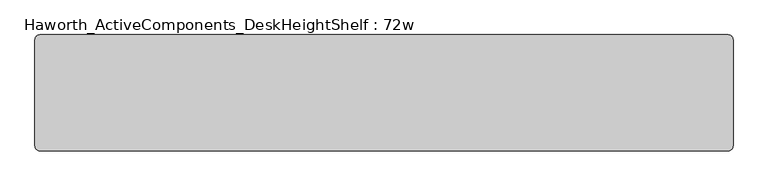
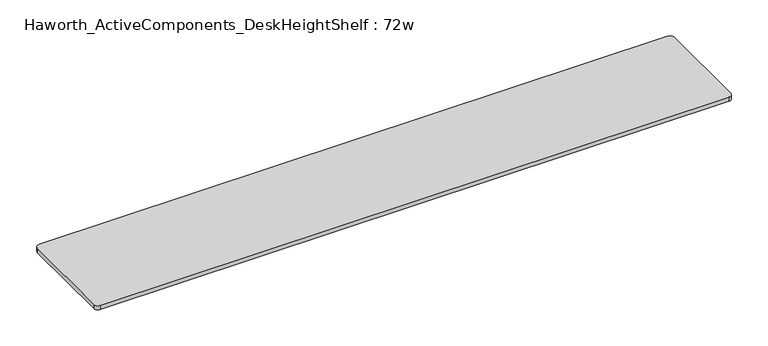
"""IFC4 building model written with IfcOpenShell, lengths in millimetres: furniture geometry, Haworth_ActiveComponents_DeskHeightShelf : 72w."""

from ifc_helpers import new_model, si_unit, point, frame, frame_2d, origin, place, context, project, spatial, polyline, circle_curve, trimmed, segment, composite_curve, outline, extrude, source, transform, mapped, element, save


def haworth_activecomponents_deskheightshelf_72w_3c1f35dd(model_context):
    return source(origin(), model_context, "Body", "SweptSolid", [
        extrude(outline(composite_curve([segment(trimmed(circle_curve(frame_2d((673.1, 482.6)), 12.7), [point((673.1, 495.3))], [point((685.8, 482.6))], False, "CARTESIAN"), True, "CONTINUOUS"), segment(polyline([(685.8, 482.6), (685.8, 203.2)]), True, "CONTINUOUS"), segment(trimmed(circle_curve(frame_2d((673.1, 203.2)), 12.7), [point((685.8, 203.2))], [point((673.1, 190.5))], False, "CARTESIAN"), True, "CONTINUOUS"), segment(polyline([(673.1, 190.5), (-1130.3, 190.5)]), True, "CONTINUOUS"), segment(trimmed(circle_curve(frame_2d((-1130.3, 203.2)), 12.7), [point((-1130.3, 190.5))], [point((-1143.0, 203.2))], False, "CARTESIAN"), True, "CONTINUOUS"), segment(polyline([(-1143.0, 203.2), (-1143.0, 482.6)]), True, "CONTINUOUS"), segment(trimmed(circle_curve(frame_2d((-1130.3, 482.6)), 12.7), [point((-1143.0, 482.6))], [point((-1130.3, 495.3))], False, "CARTESIAN"), True, "CONTINUOUS"), segment(polyline([(-1130.3, 495.3), (673.1, 495.3)]), True, "CONTINUOUS")], self_intersect=False)), frame((0.0, 0.0, 736.6), z_axis=(0.0, 0.0, 1.0), x_axis=(1.0, 0.0, 0.0)), (0.0, 0.0, 1.0), 12.7),
    ])


if __name__ == "__main__":
    model = new_model("IFC4")
    model_context = context("Model", 3, world=origin())
    ifc_project = project(units=[si_unit("LENGTHUNIT", "METRE", prefix="MILLI")], contexts=[model_context])
    site = spatial("IfcSite", under=ifc_project)
    building = spatial("IfcBuilding", under=site)
    placement = place(None, origin())
    haworth_activecomponents_deskheightshelf_72w_shape = haworth_activecomponents_deskheightshelf_72w_3c1f35dd(model_context)
    element("IfcFurniture", 1, ObjectType="Haworth_ActiveComponents_DeskHeightShelf : 72w", at=placement, inside=building, context=model_context, shape_type="MappedRepresentation", body=[
        mapped(haworth_activecomponents_deskheightshelf_72w_shape, transform((0.0, 0.0, 0.0), x_axis=(1.0, 0.0, 0.0), y_axis=(0.0, 1.0, 0.0), z_axis=(0.0, 0.0, 1.0))),
    ])
    save(model, "model.ifc")
